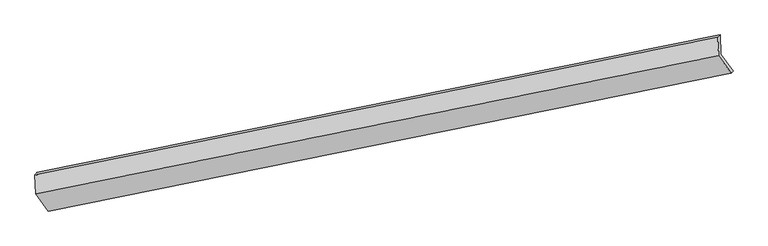
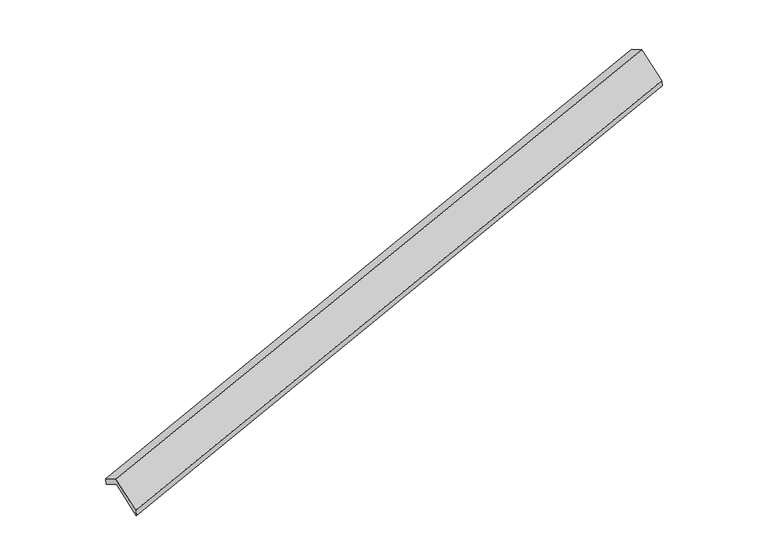
"""IFC4 building model written with IfcOpenShell, lengths in millimetres: proxy geometry."""

from ifc_helpers import new_model, si_unit, frame, origin, place, context, project, spatial, source, transform, mapped, element, save
from ifc_brep_helpers import plane_surface, spline_surface, advanced_brep


def generic_models_984bca7b(model_context):
    return source(origin(), model_context, "Body", "AdvancedBrep", [
        advanced_brep(
        [(-9651.2474033, -2861.785833, 177.7411072), (-9666.6550792, -2478.8625728, -38.2923034), (3801.6282176, 241.99925, 3844.281369), (3817.0358934, -140.9240102, 4060.3147796), (-9705.8272216, -2527.7608913, 132.2771504), (3757.680076, 195.5545903, 4029.7225876), (-9690.9132675, -2898.4138045, 341.3880122), (3772.4189149, -170.7462258, 4236.3781315), (-9442.6674316, -3239.6502269, -281.1650198), (4020.6647508, -511.9826483, 3613.8250995), (-9403.8403971, -3201.8692081, -442.7083007), (4059.4917853, -474.2016295, 3452.2818185)],
        [
            (0, 1),
            (1, 2),
            (2, 3),
            (3, 0),
            (1, 4),
            (4, 5),
            (5, 2),
            (4, 6),
            (6, 7),
            (7, 5),
            (6, 8),
            (8, 9),
            (9, 7),
            (8, 10),
            (10, 11),
            (11, 9),
            (10, 0),
            (3, 11),
        ],
        [
            plane_surface(frame((-9658.9512413, -2670.3242029, 69.7244019), z_axis=(0.3302605015935193, -0.45367932584268494, -0.8277095326200639), x_axis=(-0.03502304872895168, 0.870419401210669, -0.49106359267796484))),
            spline_surface(1, 1, [[(-9666.6550792, -2478.8625728, -38.2923034), (3801.6282176, 241.99925, 3844.281369)], [(-9705.8272216, -2527.7608913, 132.2771504), (3757.680076, 195.5545903, 4029.7225876)]], [2, 2], [2, 2], [0.0, 1.0], [0.0, 1.0]),
            plane_surface(frame((-9698.3702445, -2713.0873479, 236.8325813), z_axis=(-0.3312512294143636, 0.4534782462794023, 0.8274237748353805), x_axis=(0.03502304872874254, -0.8704194012106798, 0.49106359267796035))),
            plane_surface(frame((-9566.7903495, -3069.0320157, 30.1114962), z_axis=(0.034362387416371515, -0.8705530112290144, 0.49087338588595625), x_axis=(0.3300742894874739, -0.4537170555826404, -0.8277631284931448))),
            plane_surface(frame((-9423.2539143, -3220.7597175, -361.9366603), z_axis=(0.2416091192965402, -0.9561478310819239, -0.16554865928204593), x_axis=(0.2278777436224336, 0.22173862677686532, -0.9481053292523244))),
            plane_surface(frame((-9527.5439002, -3031.8275206, -132.4835968), z_axis=(-0.0343623874163715, 0.8705530112290139, -0.490873385885957), x_axis=(-0.3300742894874713, 0.4537170555826417, 0.8277631284931452))),
            plane_surface(frame((3871.4866063, -143.3834456, 3872.800631), z_axis=(0.9433050140209686, 0.19107825483120558, 0.27141251086411083), x_axis=(0.2278777436224336, 0.22173862677686532, -0.9481053292523244))),
            plane_surface(frame((-9593.5251334, -2868.0570895, -18.4598923), z_axis=(-0.9433050140209687, -0.19107825483113525, -0.2714125108641608), x_axis=(0.33007428948748035, -0.45371705558264186, -0.8277631284931415))),
        ],
        [
            (0, [[1, 2, 3, 4]]),
            (1, [[5, 6, 7, -2]]),
            (2, [[8, 9, 10, -6]]),
            (3, [[11, 12, 13, -9]]),
            (4, [[14, 15, 16, -12]]),
            (5, [[17, -4, 18, -15]]),
            (6, [[-16, -18, -3, -7, -10, -13]]),
            (7, [[-17, -14, -11, -8, -5, -1]]),
        ],
    ),
    ])


if __name__ == "__main__":
    model = new_model("IFC4")
    model_context = context("Model", 3, world=origin())
    ifc_project = project(units=[si_unit("LENGTHUNIT", "METRE", prefix="MILLI")], contexts=[model_context])
    site = spatial("IfcSite", under=ifc_project)
    building = spatial("IfcBuilding", under=site)
    placement = place(None, origin())
    generic_models_shape = generic_models_984bca7b(model_context)
    element("IfcBuildingElementProxy", 1, Name="Generic Models", at=placement, inside=building, context=model_context, shape_type="MappedRepresentation", body=[
        mapped(generic_models_shape, transform((0.0, 0.0, 0.0), x_axis=(1.0, 0.0, 0.0), y_axis=(0.0, 1.0, 0.0), z_axis=(0.0, 0.0, 1.0))),
    ])
    save(model, "model.ifc")
